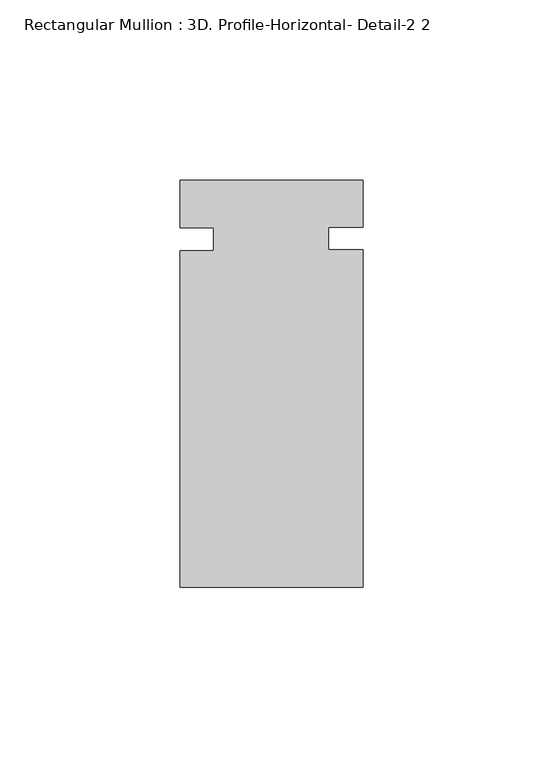
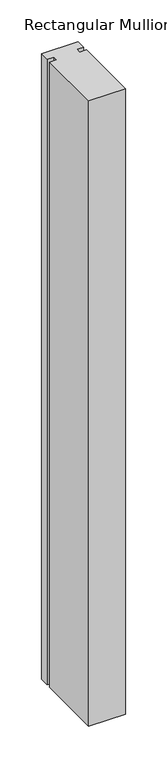
"""IFC4 building model written with IfcOpenShell, lengths in millimetres: member geometry, Rectangular Mullion : 3D. Profile-Horizontal- Detail-2 2."""

from ifc_helpers import new_model, si_unit, frame, origin, place, context, project, spatial, polyline, outline, extrude, source, transform, mapped, element, save


def rectangular_mullion_3d_profile_horizontal_detail_2_2_34c2ed2b(model_context):
    return source(origin(), model_context, "Body", "SweptSolid", [
        extrude(outline(polyline([(25.4, -56.0506562), (-25.4, -56.0506562), (-25.4, 37.4435762), (-16.0655, 37.4435762), (-16.0655, 43.7935762), (-25.4, 43.7935762), (-25.4, 57.0301438), (25.4, 57.0301438), (25.4, 43.967209), (15.875, 43.967209), (15.875, 37.6296114), (25.4, 37.6296114), (25.4, -56.0506562)])), frame((0.0, 0.0, -914.4), z_axis=(0.0, 0.0, 1.0), x_axis=(1.0, 0.0, 0.0)), (0.0, 0.0, 1.0), 914.4),
    ])


if __name__ == "__main__":
    model = new_model("IFC4")
    model_context = context("Model", 3, world=origin())
    ifc_project = project(units=[si_unit("LENGTHUNIT", "METRE", prefix="MILLI")], contexts=[model_context])
    site = spatial("IfcSite", under=ifc_project)
    building = spatial("IfcBuilding", under=site)
    placement = place(None, origin())
    rectangular_mullion_3d_profile_horizontal_detail_2_2_shape = rectangular_mullion_3d_profile_horizontal_detail_2_2_34c2ed2b(model_context)
    element("IfcMember", 1, ObjectType="Rectangular Mullion : 3D. Profile-Horizontal- Detail-2 2", at=placement, inside=building, context=model_context, shape_type="MappedRepresentation", body=[
        mapped(rectangular_mullion_3d_profile_horizontal_detail_2_2_shape, transform((0.0, 0.0, 0.0), x_axis=(1.0, 0.0, 0.0), y_axis=(0.0, 1.0, 0.0), z_axis=(0.0, 0.0, 1.0))),
    ])
    save(model, "model.ifc")
